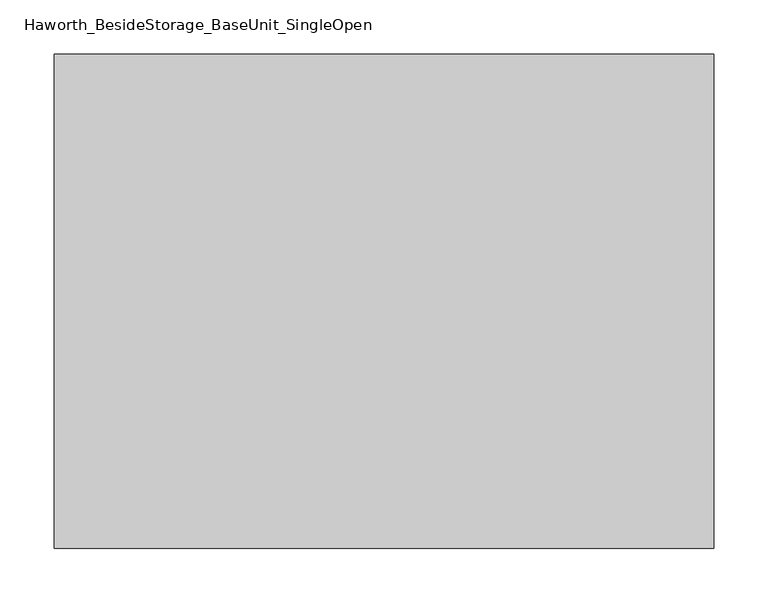
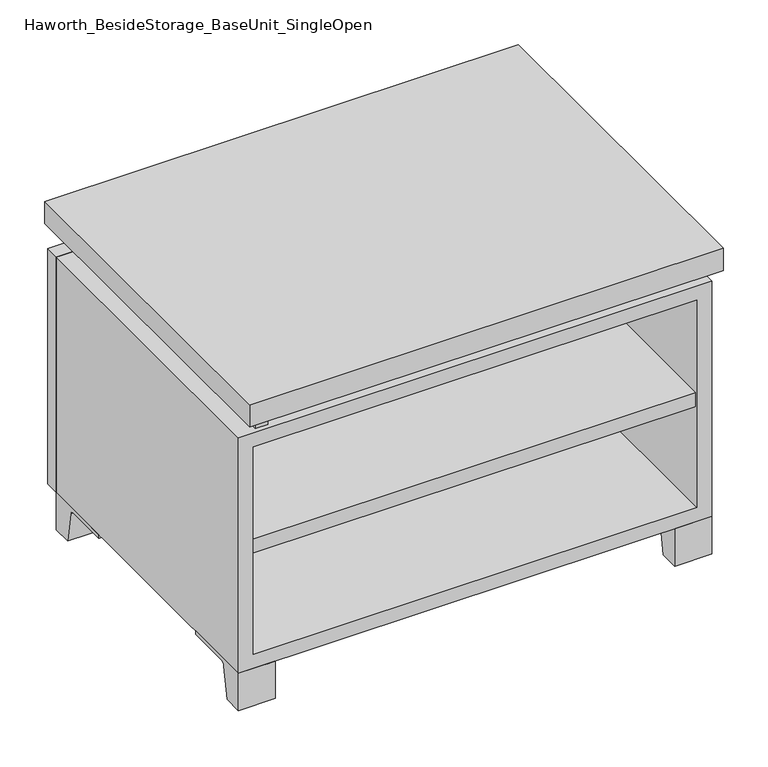
"""IFC4 building model written with IfcOpenShell, lengths in millimetres: furniture geometry, Haworth_BesideStorage_BaseUnit_SingleOpen."""

from ifc_helpers import new_model, si_unit, point, frame, frame_2d, origin, place, context, project, spatial, polyline, circle_curve, trimmed, segment, composite_curve, outline, extrude, source, transform, mapped, element, save


def haworth_besidestorage_baseunit_singleopen_ad1b347c(model_context):
    return source(origin(), model_context, "Body", "SweptSolid", [
        extrude(outline(polyline([(285.7638906, 222.25), (285.7638906, -136.525), (-285.7361094, -136.525), (-285.7361094, 222.25), (285.7638906, 222.25)])), frame((0.0, 0.0, 205.58125), z_axis=(0.0, 0.0, 1.0), x_axis=(1.0, 0.0, 0.0)), (0.0, 0.0, 1.0), 19.05),
        extrude(outline(polyline([(304.8138906, 292.1), (304.8138906, -165.1), (-304.7861094, -165.1), (-304.7861094, 292.1), (304.8138906, 292.1)])), frame((0.0, 0.0, 401.6375), z_axis=(0.0, 0.0, 1.0), x_axis=(1.0, 0.0, 0.0)), (0.0, 0.0, 1.0), 30.1625),
        extrude(outline(composite_curve([segment(polyline([(-114.3000136, 0.0), (-139.7, 0.0), (-139.7, 50.8), (-44.45, 50.8), (-44.45, 46.0213321), (-101.2505345, 46.0213321)]), True, "CONTINUOUS"), segment(trimmed(circle_curve(frame_2d((-101.2505345, 39.6713321)), 6.35), [point((-101.2505345, 46.0213321))], [point((-107.5141359, 40.7152656))], True, "CARTESIAN"), True, "CONTINUOUS"), segment(polyline([(-107.5141359, 40.7152656), (-114.3000136, 0.0)]), True, "CONTINUOUS")], self_intersect=False)), frame((257.1888906, 0.0, 0.0), z_axis=(1.0, 0.0, 0.0), x_axis=(0.0, 1.0, 0.0)), (0.0, 0.0, 1.0), 47.625),
        extrude(outline(composite_curve([segment(polyline([(241.3000136, 0.0), (234.5141359, 40.7152656)]), True, "CONTINUOUS"), segment(trimmed(circle_curve(frame_2d((228.2505345, 39.6713321)), 6.35), [point((234.5141359, 40.7152656))], [point((228.2505345, 46.0213321))], True, "CARTESIAN"), True, "CONTINUOUS"), segment(polyline([(228.2505345, 46.0213321), (171.45, 46.0213321), (171.45, 50.8), (266.7, 50.8), (266.7, 0.0), (241.3000136, 0.0)]), True, "CONTINUOUS")], self_intersect=False)), frame((257.1888906, 0.0, 0.0), z_axis=(1.0, 0.0, 0.0), x_axis=(0.0, 1.0, 0.0)), (0.0, 0.0, 1.0), 47.625),
        extrude(outline(composite_curve([segment(polyline([(-114.3000136, 0.0), (-139.7, 0.0), (-139.7, 50.8), (-44.45, 50.8), (-44.45, 46.0213321), (-101.2505345, 46.0213321)]), True, "CONTINUOUS"), segment(trimmed(circle_curve(frame_2d((-101.2505345, 39.6713321)), 6.35), [point((-101.2505345, 46.0213321))], [point((-107.5141359, 40.7152656))], True, "CARTESIAN"), True, "CONTINUOUS"), segment(polyline([(-107.5141359, 40.7152656), (-114.3000136, 0.0)]), True, "CONTINUOUS")], self_intersect=False)), frame((-304.7861094, 0.0, 0.0), z_axis=(1.0, 0.0, 0.0), x_axis=(0.0, 1.0, 0.0)), (0.0, 0.0, 1.0), 47.625),
        extrude(outline(composite_curve([segment(polyline([(241.3000136, 0.0), (234.5141359, 40.7152656)]), True, "CONTINUOUS"), segment(trimmed(circle_curve(frame_2d((228.2505345, 39.6713321)), 6.35), [point((234.5141359, 40.7152656))], [point((228.2505345, 46.0213321))], True, "CARTESIAN"), True, "CONTINUOUS"), segment(polyline([(228.2505345, 46.0213321), (171.45, 46.0213321), (171.45, 50.8), (266.7, 50.8), (266.7, 0.0), (241.3000136, 0.0)]), True, "CONTINUOUS")], self_intersect=False)), frame((-304.7861094, 0.0, 0.0), z_axis=(1.0, 0.0, 0.0), x_axis=(0.0, 1.0, 0.0)), (0.0, 0.0, 1.0), 47.625),
        extrude(outline(polyline([(-279.3791641, -133.35), (-279.3791641, 234.95), (-263.5041641, 234.95), (-263.5041641, 73.025), (263.5111094, 73.025), (263.5111094, 247.65), (279.3861094, 247.65), (279.3861094, -120.65), (263.5111094, -120.65), (263.5111094, 53.975), (-263.5041641, 53.975), (-263.5041641, -133.35), (-279.3791641, -133.35)])), frame((0.0, 0.0, 371.475), z_axis=(0.0, 0.0, 1.0), x_axis=(1.0, 0.0, 0.0)), (0.0, 0.0, 1.0), 30.1625),
        extrude(outline(polyline([(304.8138906, 266.7), (-304.7861094, 266.7), (-304.7861094, 285.75), (304.8138906, 285.75), (304.8138906, 266.7)])), frame((0.0, 0.0, 50.8), z_axis=(0.0, 0.0, 1.0), x_axis=(1.0, 0.0, 0.0)), (0.0, 0.0, 1.0), 320.675),
        extrude(outline(polyline([(50.8, -304.7861094), (50.8, 304.8138906), (371.475, 304.8138906), (371.475, -304.7861094), (50.8, -304.7861094)]), holes=[polyline([(69.85, -285.7361094), (352.425, -285.7361094), (352.425, 285.7569453), (69.85, 285.7569453), (69.85, -285.7361094)])]), frame((0.0, -139.7, 0.0), z_axis=(0.0, 1.0, 0.0), x_axis=(0.0, 0.0, 1.0)), (0.0, 0.0, 1.0), 406.4),
        extrude(outline(polyline([(-285.7291641, 234.95), (-285.7291641, 241.3), (285.7569453, 241.3), (285.7569453, 234.95), (-285.7291641, 234.95)])), frame((0.0, 0.0, 69.85), z_axis=(0.0, 0.0, 1.0), x_axis=(1.0, 0.0, 0.0)), (0.0, 0.0, 1.0), 282.575),
    ])


if __name__ == "__main__":
    model = new_model("IFC4")
    model_context = context("Model", 3, world=origin())
    ifc_project = project(units=[si_unit("LENGTHUNIT", "METRE", prefix="MILLI")], contexts=[model_context])
    site = spatial("IfcSite", under=ifc_project)
    building = spatial("IfcBuilding", under=site)
    placement = place(None, origin())
    haworth_besidestorage_baseunit_singleopen_shape = haworth_besidestorage_baseunit_singleopen_ad1b347c(model_context)
    element("IfcFurniture", 1, ObjectType="Haworth_BesideStorage_BaseUnit_SingleOpen", at=placement, inside=building, context=model_context, shape_type="MappedRepresentation", body=[
        mapped(haworth_besidestorage_baseunit_singleopen_shape, transform((0.0, 0.0, 0.0), x_axis=(1.0, 0.0, 0.0), y_axis=(0.0, 1.0, 0.0), z_axis=(0.0, 0.0, 1.0))),
    ])
    save(model, "model.ifc")
